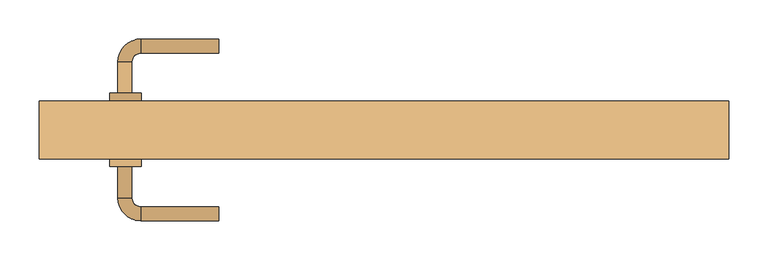
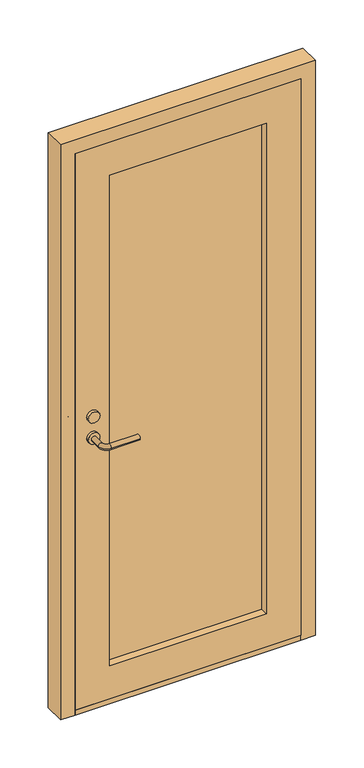
"""IFC4 building model written with IfcOpenShell, lengths in millimetres: door geometry."""

from ifc_helpers import new_model, si_unit, point, frame, frame_2d, origin, origin_with_axes, place, context, project, spatial, polyline, circle_curve, ellipse_curve, trimmed, segment, composite_curve, outline, extrude, source, transform, mapped, element, save
from ifc_brep_helpers import plane_surface, cylinder_surface, revolved_surface, advanced_brep


def door_7ffaa56a(model_context):
    return source(origin(), model_context, "Body", "SolidModel", [
        extrude(outline(composite_curve([segment(trimmed(circle_curve(frame_2d((1069.9136899, -329.67685)), 20.0), [point((1069.9136899, -349.67685))], [point((1069.9136899, -309.67685))], False, "CARTESIAN"), True, "CONTINUOUS"), segment(trimmed(circle_curve(frame_2d((1069.9136899, -329.67685)), 20.0), [point((1069.9136899, -309.67685))], [point((1069.9136899, -349.67685))], False, "CARTESIAN"), True, "CONTINUOUS")], self_intersect=False)), frame((0.0, 28.5291111, 0.0), z_axis=(0.0, 1.0, 0.0), x_axis=(0.0, 0.0, 1.0)), (0.0, 0.0, 1.0), 9.8708889),
        extrude(outline(composite_curve([segment(trimmed(circle_curve(frame_2d((992.4136899, -329.67685)), 20.0), [point((992.4136899, -349.67685))], [point((992.4136899, -309.67685))], False, "CARTESIAN"), True, "CONTINUOUS"), segment(trimmed(circle_curve(frame_2d((992.4136899, -329.67685)), 20.0), [point((992.4136899, -309.67685))], [point((992.4136899, -349.67685))], False, "CARTESIAN"), True, "CONTINUOUS")], self_intersect=False)), frame((0.0, 28.5291111, 0.0), z_axis=(0.0, 1.0, 0.0), x_axis=(0.0, 0.0, 1.0)), (0.0, 0.0, 1.0), 9.8708889),
        advanced_brep(
        [(-339.625, 38.4, 992.5), (-321.625, 38.4, 992.5), (-339.625, -11.6, 992.5), (-321.625, -11.6, 992.5), (-310.625, -22.6, 992.5), (-310.625, -40.6, 992.5), (-210.625, -40.6, 992.5), (-210.625, -22.6, 992.5)],
        [
            (0, 1, circle_curve(frame((-330.625, 38.4, 992.5), z_axis=(0.0, 1.0, 0.0), x_axis=(1.0, 0.0, 0.0)), 9.0)),
            (1, 0, circle_curve(frame((-330.625, 38.4, 992.5), z_axis=(0.0, 1.0, 0.0), x_axis=(1.0, 0.0, 0.0)), 9.0)),
            (0, 2),
            (2, 3, circle_curve(frame((-330.625, -11.6, 992.5), z_axis=(0.0, 1.0, 0.0), x_axis=(1.0, 0.0, 0.0)), 9.0)),
            (3, 1),
            (3, 2, circle_curve(frame((-330.625, -11.6, 992.5), z_axis=(0.0, 1.0, 0.0), x_axis=(1.0, 0.0, 0.0)), 9.0)),
            (4, 3, circle_curve(frame((-310.625, -11.6, 992.5), z_axis=(0.0, 0.0, -1.0), x_axis=(-1.0, 0.0, 0.0)), 11.0)),
            (2, 5, circle_curve(frame((-310.625, -11.6, 992.5), z_axis=(0.0, 0.0, 1.0), x_axis=(-1.0, 0.0, 0.0)), 29.0)),
            (5, 4, circle_curve(frame((-310.625, -31.6, 992.5), z_axis=(-1.0, 0.0, 0.0), x_axis=(0.0, 1.0, 0.0)), 9.0)),
            (4, 5, circle_curve(frame((-310.625, -31.6, 992.5), z_axis=(-1.0, 0.0, 0.0), x_axis=(0.0, 1.0, 0.0)), 9.0)),
            (6, 7, circle_curve(frame((-210.625, -31.6, 992.5), z_axis=(1.0, 0.0, 0.0), x_axis=(0.0, 1.0, 0.0)), 9.0)),
            (7, 6, circle_curve(frame((-210.625, -31.6, 992.5), z_axis=(1.0, 0.0, 0.0), x_axis=(0.0, 1.0, 0.0)), 9.0)),
            (5, 6),
            (7, 4),
        ],
        [
            plane_surface(frame((-330.625, 38.4, 857.5), z_axis=(0.0, 1.0, 0.0), x_axis=(0.0, 0.0, -1.0))),
            cylinder_surface(frame((-330.625, 38.4, 992.5), z_axis=(0.0, 1.0, 0.0), x_axis=(1.0, 0.0, 0.0)), 9.0),
            revolved_surface(trimmed(ellipse_curve(frame((-330.625, -11.6, 992.5), z_axis=(0.0, 1.0, 0.0), x_axis=(1.0, 0.0, 0.0)), 9.0, 9.0), [point((-339.625, -11.6, 992.5))], [point((-321.625, -11.6, 992.5))], True, "CARTESIAN"), (-310.625, -11.6, 857.5), (0.0, 0.0, 1.0)),
            revolved_surface(trimmed(ellipse_curve(frame((-330.625, -11.6, 992.5), z_axis=(0.0, 1.0, 0.0), x_axis=(1.0, 0.0, 0.0)), 9.0, 9.0), [point((-321.625, -11.6, 992.5))], [point((-339.625, -11.6, 992.5))], True, "CARTESIAN"), (-310.625, -11.6, 857.5), (0.0, 0.0, 1.0)),
            plane_surface(frame((-210.625, -31.6, 857.5), z_axis=(1.0, 0.0, 0.0), x_axis=(0.0, 0.0, -1.0))),
            cylinder_surface(frame((-310.625, -31.6, 992.5), z_axis=(-1.0, 0.0, 0.0), x_axis=(0.0, 1.0, 0.0)), 9.0),
        ],
        [
            (0, [[1, 2]]),
            (1, [[-1, 3, 4, 5]]),
            (1, [[-2, -5, 6, -3]]),
            (2, [[7, -4, 8, 9]]),
            (3, [[-8, -6, -7, 10]]),
            (4, [[11, 12]]),
            (5, [[-9, 13, -12, 14]]),
            (5, [[-10, -14, -11, -13]]),
        ],
    ),
        extrude(outline(composite_curve([segment(trimmed(circle_curve(frame_2d((1069.9136899, -329.67685)), 20.0), [point((1069.9136899, -349.67685))], [point((1069.9136899, -309.67685))], False, "CARTESIAN"), True, "CONTINUOUS"), segment(trimmed(circle_curve(frame_2d((1069.9136899, -329.67685)), 20.0), [point((1069.9136899, -309.67685))], [point((1069.9136899, -349.67685))], False, "CARTESIAN"), True, "CONTINUOUS")], self_intersect=False)), frame((0.0, 112.4, 0.0), z_axis=(0.0, 1.0, 0.0), x_axis=(0.0, 0.0, 1.0)), (0.0, 0.0, 1.0), 9.8708889),
        extrude(outline(composite_curve([segment(trimmed(circle_curve(frame_2d((992.4136899, -329.67685)), 20.0), [point((992.4136899, -349.67685))], [point((992.4136899, -309.67685))], False, "CARTESIAN"), True, "CONTINUOUS"), segment(trimmed(circle_curve(frame_2d((992.4136899, -329.67685)), 20.0), [point((992.4136899, -309.67685))], [point((992.4136899, -349.67685))], False, "CARTESIAN"), True, "CONTINUOUS")], self_intersect=False)), frame((0.0, 112.4, 0.0), z_axis=(0.0, 1.0, 0.0), x_axis=(0.0, 0.0, 1.0)), (0.0, 0.0, 1.0), 9.8708889),
        advanced_brep(
        [(-339.625, 112.4, 992.5), (-321.625, 112.4, 992.5), (-321.625, 162.4, 992.5), (-339.625, 162.4, 992.5), (-310.625, 173.4, 992.5), (-310.625, 191.4, 992.5), (-210.625, 191.4, 992.5), (-210.625, 173.4, 992.5)],
        [
            (0, 1, circle_curve(frame((-330.625, 112.4, 992.5), z_axis=(0.0, -1.0, 0.0), x_axis=(1.0, 0.0, 0.0)), 9.0)),
            (1, 0, circle_curve(frame((-330.625, 112.4, 992.5), z_axis=(0.0, -1.0, 0.0), x_axis=(1.0, 0.0, 0.0)), 9.0)),
            (1, 2),
            (2, 3, circle_curve(frame((-330.625, 162.4, 992.5), z_axis=(0.0, -1.0, 0.0), x_axis=(1.0, 0.0, 0.0)), 9.0)),
            (3, 0),
            (3, 2, circle_curve(frame((-330.625, 162.4, 992.5), z_axis=(0.0, -1.0, 0.0), x_axis=(1.0, 0.0, 0.0)), 9.0)),
            (4, 5, circle_curve(frame((-310.625, 182.4, 992.5), z_axis=(-1.0, 0.0, 0.0), x_axis=(0.0, -1.0, 0.0)), 9.0)),
            (5, 3, circle_curve(frame((-310.625, 162.4, 992.5), z_axis=(0.0, 0.0, 1.0), x_axis=(-1.0, 0.0, 0.0)), 29.0)),
            (2, 4, circle_curve(frame((-310.625, 162.4, 992.5), z_axis=(0.0, 0.0, -1.0), x_axis=(-1.0, 0.0, 0.0)), 11.0)),
            (5, 4, circle_curve(frame((-310.625, 182.4, 992.5), z_axis=(-1.0, 0.0, 0.0), x_axis=(0.0, -1.0, 0.0)), 9.0)),
            (6, 7, circle_curve(frame((-210.625, 182.4, 992.5), z_axis=(1.0, 0.0, 0.0), x_axis=(0.0, -1.0, 0.0)), 9.0)),
            (7, 6, circle_curve(frame((-210.625, 182.4, 992.5), z_axis=(1.0, 0.0, 0.0), x_axis=(0.0, -1.0, 0.0)), 9.0)),
            (4, 7),
            (6, 5),
        ],
        [
            plane_surface(frame((-330.625, 112.4, 857.5), z_axis=(0.0, -1.0, 0.0), x_axis=(0.0, 0.0, -1.0))),
            cylinder_surface(frame((-330.625, 112.4, 992.5), z_axis=(0.0, -1.0, 0.0), x_axis=(1.0, 0.0, 0.0)), 9.0),
            revolved_surface(trimmed(ellipse_curve(frame((-330.625, 162.4, 992.5), z_axis=(0.0, 1.0, 0.0), x_axis=(1.0, 0.0, 0.0)), 9.0, 9.0), [point((-339.625, 162.4, 992.5))], [point((-321.625, 162.4, 992.5))], True, "CARTESIAN"), (-310.625, 162.4, 857.5), (0.0, 0.0, 1.0)),
            revolved_surface(trimmed(ellipse_curve(frame((-330.625, 162.4, 992.5), z_axis=(0.0, 1.0, 0.0), x_axis=(1.0, 0.0, 0.0)), 9.0, 9.0), [point((-321.625, 162.4, 992.5))], [point((-339.625, 162.4, 992.5))], True, "CARTESIAN"), (-310.625, 162.4, 857.5), (0.0, 0.0, 1.0)),
            plane_surface(frame((-210.625, 182.4, 857.5), z_axis=(1.0, 0.0, 0.0), x_axis=(0.0, 0.0, -1.0))),
            cylinder_surface(frame((-310.625, 182.4, 992.5), z_axis=(-1.0, 0.0, 0.0), x_axis=(0.0, -1.0, 0.0)), 9.0),
        ],
        [
            (0, [[1, 2]]),
            (1, [[3, 4, 5, -2]]),
            (1, [[-5, 6, -3, -1]]),
            (2, [[7, 8, -4, 9]]),
            (3, [[10, -9, -6, -8]]),
            (4, [[11, 12]]),
            (5, [[13, -11, 14, -7]]),
            (5, [[-14, -12, -13, -10]]),
        ],
    ),
        extrude(outline(polyline([(2045.0, -390.0), (18.0, -390.0), (18.0, 390.0), (2045.0, 390.0), (2045.0, -390.0)]), holes=[polyline([(1925.0, 270.0), (138.0, 270.0), (138.0, -270.0), (1925.0, -270.0), (1925.0, 270.0)])]), frame((0.0, 38.4, 0.0), z_axis=(0.0, 1.0, 0.0), x_axis=(0.0, 0.0, 1.0)), (0.0, 0.0, 1.0), 74.0),
        extrude(outline(polyline([(270.0, 85.4), (270.0, 65.4), (-270.0, 65.4), (-270.0, 85.4), (270.0, 85.4)])), frame((0.0, 0.0, 138.0), z_axis=(0.0, 0.0, 1.0), x_axis=(1.0, 0.0, 0.0)), (0.0, 0.0, 1.0), 1787.0),
        extrude(outline(polyline([(2095.0, 440.0), (2095.0, -440.0), (0.0, -440.0), (0.0, -390.0), (2045.0, -390.0), (2045.0, 390.0), (0.0, 390.0), (0.0, 440.0), (2095.0, 440.0)])), frame((0.0, 38.4, 0.0), z_axis=(0.0, 1.0, 0.0), x_axis=(0.0, 0.0, 1.0)), (0.0, 0.0, 1.0), 74.0),
        extrude(outline(polyline([(-390.0, 112.4), (390.0, 112.4), (390.0, 38.4), (-390.0, 38.4), (-390.0, 112.4)])), origin_with_axes(), (0.0, 0.0, 1.0), 18.0),
    ])


if __name__ == "__main__":
    model = new_model("IFC4")
    model_context = context("Model", 3, world=origin())
    ifc_project = project(units=[si_unit("LENGTHUNIT", "METRE", prefix="MILLI")], contexts=[model_context])
    site = spatial("IfcSite", under=ifc_project)
    building = spatial("IfcBuilding", under=site)
    placement = place(None, origin())
    door_shape = door_7ffaa56a(model_context)
    element("IfcDoor", 1, at=placement, inside=building, context=model_context, shape_type="MappedRepresentation", body=[
        mapped(door_shape, transform((0.0, 0.0, 0.0), x_axis=(1.0, 0.0, 0.0), y_axis=(0.0, 1.0, 0.0), z_axis=(0.0, 0.0, 1.0))),
    ])
    save(model, "model.ifc")
